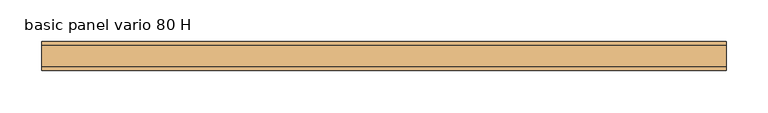
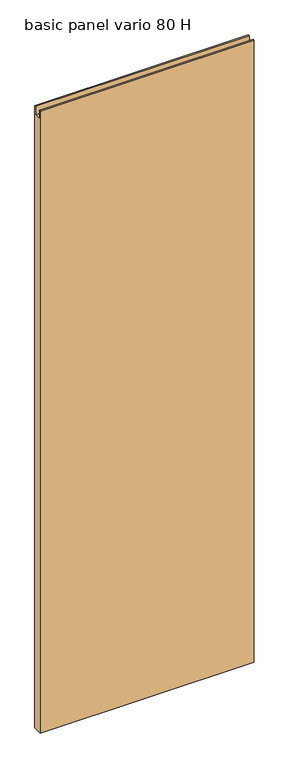
"""IFC4 building model written with IfcOpenShell, lengths in millimetres: door geometry, basic panel vario 80 H."""

from ifc_helpers import new_model, si_unit, frame, origin, place, context, project, spatial, polyline, outline, extrude, source, transform, mapped, element, save


def basic_panel_vario_80_h_7e660866(model_context):
    return source(origin(), model_context, "Body", "SweptSolid", [
        extrude(outline(polyline([(17.5, 11.0), (-17.5, 11.0), (-17.5, 2532.0), (-13.0, 2532.0), (-13.0, 2498.0), (13.0, 2498.0), (13.0, 2532.0), (17.5, 2532.0), (17.5, 11.0)])), frame((-410.1666667, 0.0, 0.0), z_axis=(1.0, 0.0, 0.0), x_axis=(0.0, 1.0, 0.0)), (0.0, 0.0, 1.0), 820.3333333),
    ])


if __name__ == "__main__":
    model = new_model("IFC4")
    model_context = context("Model", 3, world=origin())
    ifc_project = project(units=[si_unit("LENGTHUNIT", "METRE", prefix="MILLI")], contexts=[model_context])
    site = spatial("IfcSite", under=ifc_project)
    building = spatial("IfcBuilding", under=site)
    placement = place(None, origin())
    basic_panel_vario_80_h_shape = basic_panel_vario_80_h_7e660866(model_context)
    element("IfcDoor", 1, ObjectType="basic panel vario 80 H", at=placement, inside=building, context=model_context, shape_type="MappedRepresentation", body=[
        mapped(basic_panel_vario_80_h_shape, transform((0.0, 0.0, 0.0), x_axis=(1.0, 0.0, 0.0), y_axis=(0.0, 1.0, 0.0), z_axis=(0.0, 0.0, 1.0))),
    ])
    save(model, "model.ifc")
